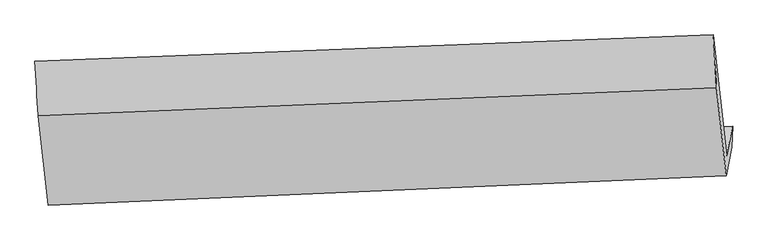
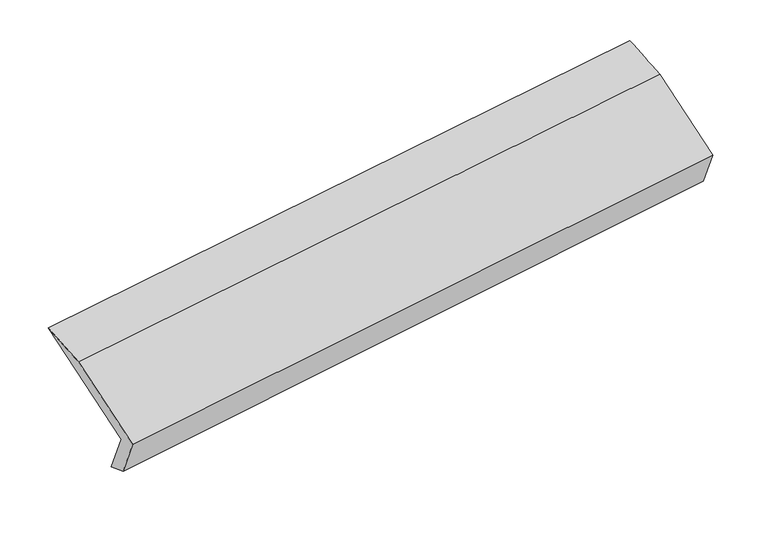
"""IFC4 building model written with IfcOpenShell, lengths in millimetres: proxy geometry."""

import ifcopenshell
import ifcopenshell.guid

model = None  # the IFC model being written
_history = None  # IfcOwnerHistory: only IFC2X3 demands one
_inside = {}  # id of a spatial element -> (the spatial element, [elements in it])
_under = {}  # id of a project, library or spatial element -> (it, [spatial elements below it])
_declared = {}  # id of a project -> (the project, [libraries it declares])
_typed = {}  # id of a type object -> (the type object, [elements of that type])
_made_of = {}  # id of a material, layer set ... -> (it, [elements and type objects made of it])


def new_model(schema):
    """Start an empty IFC model of exactly this schema.

    Asked for "IFC4X3", IfcOpenShell would pick the latest addendum, in which some entities
    have other attributes; the version numbers below select the first issue.
    IFC2X3 requires an IfcOwnerHistory on every rooted entity: one is made here for all.
    """
    global model, _history
    if schema == "IFC4X3":
        model = ifcopenshell.file(schema_version=(4, 3, 0, 0))
    else:
        model = ifcopenshell.file(schema=schema)
    _inside.clear()
    _under.clear()
    _declared.clear()
    _typed.clear()
    _made_of.clear()
    _history = None
    if model.schema == "IFC2X3":
        org = make("IfcOrganization", Name="unknown")
        user = make(
            "IfcPersonAndOrganization",
            ThePerson=make("IfcPerson", FamilyName="unknown"),
            TheOrganization=org,
        )
        app = make(
            "IfcApplication",
            ApplicationDeveloper=org,
            Version="unknown",
            ApplicationFullName="unknown",
            ApplicationIdentifier="unknown",
        )
        _history = make(
            "IfcOwnerHistory",
            OwningUser=user,
            OwningApplication=app,
            ChangeAction="ADDED",
            CreationDate=0,
        )
    return model


def make(cls, **values):
    """One entity of the class cls with the attributes given. An attribute that is None is left unset."""
    return model.create_entity(
        cls, **{name: value for name, value in values.items() if value is not None}
    )


def rooted(cls, **values):
    """An entity with a GlobalId (a new one), such as an element, a storey or a relation."""
    return make(cls, GlobalId=ifcopenshell.guid.new(), OwnerHistory=_history, **values)


def si_unit(unit_type, name, prefix=None):
    """IfcSIUnit, for example si_unit("LENGTHUNIT", "METRE", prefix="MILLI")."""
    return make("IfcSIUnit", UnitType=unit_type, Prefix=prefix, Name=name)


def assignment(units):
    """IfcUnitAssignment: the units of a project."""
    return None if units is None else make("IfcUnitAssignment", Units=units)


def point(xyz):
    """IfcCartesianPoint."""
    return None if xyz is None else make("IfcCartesianPoint", Coordinates=xyz)


def direction(xyz):
    """IfcDirection."""
    return None if xyz is None else make("IfcDirection", DirectionRatios=xyz)


def frame(location, z_axis=None, x_axis=None):
    """IfcAxis2Placement3D, a coordinate frame: its origin and axes. An axis left out is left unset."""
    return make(
        "IfcAxis2Placement3D",
        Location=point(location),
        Axis=direction(z_axis),
        RefDirection=direction(x_axis),
    )


def origin():
    """The frame at (0, 0, 0) with its axes left unset."""
    return frame((0.0, 0.0, 0.0))


def place(relative_to, where):
    """IfcLocalPlacement: puts the frame where relative to a parent placement (None: the world)."""
    return make(
        "IfcLocalPlacement", PlacementRelTo=relative_to, RelativePlacement=where
    )


def context(
    kind, dimensions, precision=None, world=None, true_north=None, identifier=None
):
    """IfcGeometricRepresentationContext, for example the 3D "Model" context."""
    return make(
        "IfcGeometricRepresentationContext",
        ContextIdentifier=identifier,
        ContextType=kind,
        CoordinateSpaceDimension=dimensions,
        Precision=precision,
        WorldCoordinateSystem=world,
        TrueNorth=true_north,
    )


def project(units=None, contexts=None):
    """IfcProject with its units and contexts."""
    return rooted(
        "IfcProject",
        Name="project",
        RepresentationContexts=contexts,
        UnitsInContext=assignment(units),
    )


def spatial(cls, under=None, at=None, **own):
    """A site, building, storey or space (cls), placed at a placement, below another one or the project."""
    s = rooted(cls, ObjectPlacement=at, **own)
    if under is not None:
        _under.setdefault(under.id(), (under, []))[1].append(s)
    return s


def shape(context_of_items, identifier, shape_type, items):
    """IfcShapeRepresentation: the items that make up one representation, for example the "Body"."""
    return make(
        "IfcShapeRepresentation",
        ContextOfItems=context_of_items,
        RepresentationIdentifier=identifier,
        RepresentationType=shape_type,
        Items=items,
    )


def source(mapping_origin, context_of_items, identifier, shape_type, items):
    """IfcRepresentationMap: a shape defined once, which mapped items show again and again."""
    return make(
        "IfcRepresentationMap",
        MappingOrigin=mapping_origin,
        MappedRepresentation=shape(context_of_items, identifier, shape_type, items),
    )


def transform(
    local_origin,
    x_axis=None,
    y_axis=None,
    z_axis=None,
    scale=None,
    scale2=None,
    scale3=None,
    uniform=True,
):
    """IfcCartesianTransformationOperator3D, or its non-uniform kind. x_axis, y_axis, z_axis: its Axis1, 2, 3."""
    if uniform:
        return make(
            "IfcCartesianTransformationOperator3D",
            Axis1=direction(x_axis),
            Axis2=direction(y_axis),
            LocalOrigin=point(local_origin),
            Scale=scale,
            Axis3=direction(z_axis),
        )
    return make(
        "IfcCartesianTransformationOperator3DnonUniform",
        Axis1=direction(x_axis),
        Axis2=direction(y_axis),
        LocalOrigin=point(local_origin),
        Scale=scale,
        Axis3=direction(z_axis),
        Scale2=scale2,
        Scale3=scale3,
    )


def mapped(mapping_source, mapping_target):
    """IfcMappedItem: shows the shape of a source again, moved by a transform."""
    return make(
        "IfcMappedItem", MappingSource=mapping_source, MappingTarget=mapping_target
    )


def made_of(thing, what):
    """Note that an element or type object is made of a material, layer set ...; save() writes the relation."""
    if what is not None:
        _made_of.setdefault(what.id(), (what, []))[1].append(thing)
    return thing


def element(
    cls,
    number,
    at=None,
    inside=None,
    cuts=None,
    type_object=None,
    material=None,
    context=None,
    identifier="Body",
    shape_type=None,
    held_by="IfcProductDefinitionShape",
    body=None,
    shapes=None,
    **own,
):
    """One element of the class cls, such as IfcWall. Its Tag is "e" and its number.

    at: its placement. inside: the storey or other place that contains it. cuts: it is an
    opening in that element (IfcRelVoidsElement). A single representation is given by context,
    identifier, shape_type and body (its items); several are given by shapes. held_by: the class
    of the entity that holds the representations. save() writes the other relations.
    """
    e = rooted(cls, Tag="e%d" % number, ObjectPlacement=at, **own)
    if body is not None:
        shapes = [shape(context, identifier, shape_type, body)]
    if shapes is not None:
        e.Representation = make(held_by, Representations=shapes)
    if inside is not None:
        _inside.setdefault(inside.id(), (inside, []))[1].append(e)
    if cuts is not None:
        rooted(
            "IfcRelVoidsElement", RelatingBuildingElement=cuts, RelatedOpeningElement=e
        )
    if type_object is not None:
        _typed.setdefault(type_object.id(), (type_object, []))[1].append(e)
    return made_of(e, material)


def aggregate(whole, parts):
    """IfcRelAggregates: a whole, such as a stair, and the parts it consists of."""
    return rooted("IfcRelAggregates", RelatingObject=whole, RelatedObjects=parts)


def save(model, path):
    """Write the relations noted so far, then the file.

    IfcRelAggregates (storeys below a building ...), IfcRelContainedInSpatialStructure (elements
    in a storey), IfcRelDefinesByType, IfcRelAssociatesMaterial and IfcRelDeclares: one each for
    every whole, place, type object, material and project.
    """
    for whole, parts in _under.values():
        aggregate(whole, parts)
    for where, things in _inside.values():
        rooted(
            "IfcRelContainedInSpatialStructure",
            RelatedElements=things,
            RelatingStructure=where,
        )
    for kind, things in _typed.values():
        rooted("IfcRelDefinesByType", RelatedObjects=things, RelatingType=kind)
    for what, things in _made_of.values():
        rooted("IfcRelAssociatesMaterial", RelatedObjects=things, RelatingMaterial=what)
    for by, libraries in _declared.values():
        rooted("IfcRelDeclares", RelatingContext=by, RelatedDefinitions=libraries)
    model.write(path)


def plane_surface(at):
    """IfcPlane: the flat surface through the origin of the frame at, square to its z axis."""
    return make("IfcPlane", Position=at)


def spline_surface(u_degree, v_degree, points, u_multiplicities, v_multiplicities, u_knots, v_knots, weights=None):
    """IfcBSplineSurfaceWithKnots; with weights, IfcRationalBSplineSurfaceWithKnots. points: one row for each step in u."""
    own = dict(
        UDegree=u_degree,
        VDegree=v_degree,
        ControlPointsList=[[point(p) for p in row] for row in points],
        SurfaceForm="UNSPECIFIED",
        UClosed=False,
        VClosed=False,
        SelfIntersect=False,
        UMultiplicities=u_multiplicities,
        VMultiplicities=v_multiplicities,
        UKnots=u_knots,
        VKnots=v_knots,
        KnotSpec="UNSPECIFIED",
    )
    if weights is None:
        return make("IfcBSplineSurfaceWithKnots", **own)
    return make("IfcRationalBSplineSurfaceWithKnots", WeightsData=weights, **own)


def advanced_brep(points, edges, surfaces, faces):
    """IfcAdvancedBrep: a solid bounded by faces that lie on surfaces and meet in shared edges.

    An edge is (start, end): straight between two places in points (the first is 0);
    or (start, end, curve); or (start, end, curve, False) where it runs against its curve.
    A face is (place in surfaces, loops), or (place, loops, False) where it looks against
    its surface's normal. A loop lists edges by number (the first is 1), with a minus sign
    where the edge is run from its end to its start. The first loop is the outer one.
    """
    corners = [point(p) for p in points]
    vertices = [make("IfcVertexPoint", VertexGeometry=c) for c in corners]
    made = []
    for start, end, *more in edges:
        made.append(
            make(
                "IfcEdgeCurve",
                EdgeStart=vertices[start],
                EdgeEnd=vertices[end],
                EdgeGeometry=more[0] if more else make("IfcPolyline", Points=[corners[start], corners[end]]),
                SameSense=more[1] if len(more) > 1 else True,
            )
        )
    hull = []
    for where, loops, *sense in faces:
        bounds = []
        for j, loop in enumerate(loops):
            ring = [make("IfcOrientedEdge", EdgeElement=made[abs(k) - 1], Orientation=k > 0) for k in loop]
            bounds.append(
                make(
                    "IfcFaceOuterBound" if j == 0 else "IfcFaceBound",
                    Bound=make("IfcEdgeLoop", EdgeList=ring),
                    Orientation=True,
                )
            )
        hull.append(make("IfcAdvancedFace", Bounds=bounds, FaceSurface=surfaces[where], SameSense=sense[0] if sense else True))
    return make("IfcAdvancedBrep", Outer=make("IfcClosedShell", CfsFaces=hull))


def generic_models_7b927ade(model_context):
    return source(origin(), model_context, "Body", "AdvancedBrep", [
        advanced_brep(
        [(-5036.7331906, -1620.0288129, 1235.2570591), (-5076.2459311, -1813.7342984, 1582.7450769), (-618.9963124, -1642.3428644, 2196.6237838), (-579.483572, -1448.6373789, 1849.135766), (-5038.8314841, -1775.5919865, 1294.2370179), (-583.520771, -1586.720772, 1917.6392702), (-5077.6609882, -1965.9480049, 1635.7164309), (-621.3619345, -1772.2315936, 2250.426891), (-5142.6850521, -1379.7377468, 1955.102591), (-685.4165456, -1194.7612258, 2565.0512785), (-5164.2724996, -1020.1499801, 2015.1152797), (-707.022881, -848.7585462, 2628.9939866)],
        [
            (0, 1),
            (1, 2),
            (2, 3),
            (3, 0),
            (4, 0),
            (3, 5),
            (5, 4),
            (6, 4),
            (5, 7),
            (7, 6),
            (8, 6),
            (7, 9),
            (9, 8),
            (10, 8),
            (9, 11),
            (11, 10),
            (1, 10),
            (11, 2),
        ],
        [
            plane_surface(frame((-5056.4895609, -1716.8815556, 1409.001068), z_axis=(-0.09914460594854717, 0.8739042524394053, 0.475879926745846), x_axis=(-0.09883406337235884, -0.4845196770498526, 0.8691792165421439))),
            spline_surface(1, 1, [[(-5038.8314841, -1775.5919865, 1294.2370179), (-583.520771, -1586.720772, 1917.6392702)], [(-5036.7331906, -1620.0288129, 1235.2570591), (-579.483572, -1448.6373789, 1849.135766)]], [2, 2], [2, 2], [0.0, 1.0], [0.0, 1.0]),
            plane_surface(frame((-5058.2462361, -1870.7699957, 1464.9767244), z_axis=(0.10354169019793656, -0.8737217736488463, -0.47527821393670994), x_axis=(0.09883406337235866, 0.48451967704985227, -0.8691792165421441))),
            plane_surface(frame((-5110.1730201, -1672.8428758, 1795.409511), z_axis=(-0.09883406337235932, -0.4845196770498451, 0.8691792165421481), x_axis=(0.09694528146751574, -0.873989027973542, -0.4761772688642826))),
            spline_surface(1, 1, [[(-5164.2724996, -1020.1499801, 2015.1152797), (-707.022881, -848.7585462, 2628.9939866)], [(-5142.6850521, -1379.7377468, 1955.102591), (-685.4165456, -1194.7612258, 2565.0512785)]], [2, 2], [2, 2], [0.0, 1.0], [0.0, 1.0]),
            plane_surface(frame((-5120.2592154, -1416.9421393, 1798.9301783), z_axis=(0.10103338319506805, 0.48460110207534984, -0.8688809051576142), x_axis=(-0.0969452814675136, 0.8739890279735409, 0.4761772688642851))),
            plane_surface(frame((-632.6336694, -1415.5753968, 2234.6451627), z_axis=(0.9903703551290763, 0.0372002894259838, 0.13335178344563098), x_axis=(0.09694528146751574, -0.873989027973542, -0.4761772688642826))),
            plane_surface(frame((-5089.4048576, -1595.8651383, 1619.6955759), z_axis=(-0.9903703551290765, -0.03720028942598119, -0.13335178344563015), x_axis=(0.09883406337235917, 0.4845196770498526, -0.8691792165421439))),
        ],
        [
            (0, [[1, 2, 3, 4]]),
            (1, [[5, -4, 6, 7]]),
            (2, [[8, -7, 9, 10]]),
            (3, [[11, -10, 12, 13]]),
            (4, [[14, -13, 15, 16]]),
            (5, [[17, -16, 18, -2]]),
            (6, [[-12, -9, -6, -3, -18, -15]]),
            (7, [[-1, -5, -8, -11, -14, -17]]),
        ],
    ),
    ])


if __name__ == "__main__":
    model = new_model("IFC4")
    model_context = context("Model", 3, world=origin())
    ifc_project = project(units=[si_unit("LENGTHUNIT", "METRE", prefix="MILLI")], contexts=[model_context])
    site = spatial("IfcSite", under=ifc_project)
    building = spatial("IfcBuilding", under=site)
    placement = place(None, origin())
    generic_models_shape = generic_models_7b927ade(model_context)
    element("IfcBuildingElementProxy", 1, Name="Generic Models", at=placement, inside=building, context=model_context, shape_type="MappedRepresentation", body=[
        mapped(generic_models_shape, transform((0.0, 0.0, 0.0), x_axis=(1.0, 0.0, 0.0), y_axis=(0.0, 1.0, 0.0), z_axis=(0.0, 0.0, 1.0))),
    ])
    save(model, "model.ifc")
